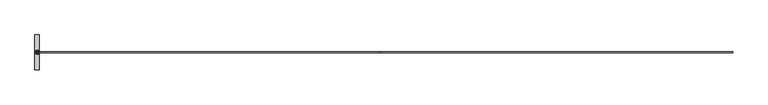
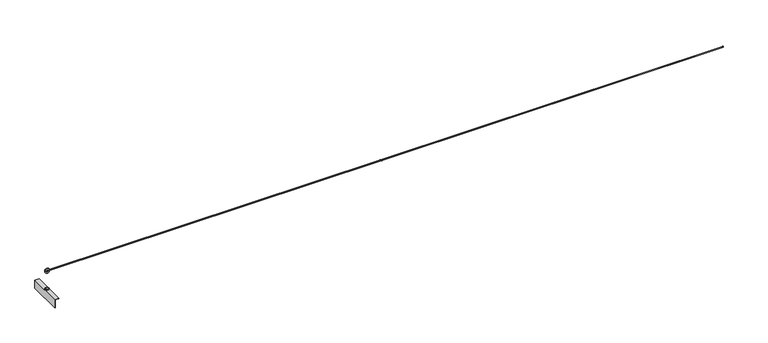
"""IFC4 building model written with IfcOpenShell, lengths in millimetres: proxy geometry."""

from ifc_helpers import new_model, si_unit, point, frame, frame_2d, origin, place, context, project, spatial, polyline, circle_curve, ellipse_curve, trimmed, segment, composite_curve, outline, extrude, source, transform, mapped, element, save
from ifc_brep_helpers import plane_surface, revolved_surface, extruded_surface, advanced_brep


def specialty_equipment_08462cb1(model_context):
    return source(origin(), model_context, "Body", "SolidModel", [
        advanced_brep(
        [(365.4210992, 0.0, 143.5), (394.5302506, 0.0, 143.5), (408.5302506, 0.0, 143.5), (351.4210992, 0.0, 143.5)],
        [
            (0, 1, circle_curve(frame((379.9756749, 0.0, 143.5), z_axis=(0.0, 1.0, 0.0), x_axis=(1.0, 0.0, 0.0)), 14.5545757)),
            (1, 2, circle_curve(frame((401.5302506, 0.0, 143.5), z_axis=(0.0, 0.0, 1.0), x_axis=(-1.0, 0.0, 0.0)), 7.0)),
            (2, 3, circle_curve(frame((379.9756749, 0.0, 143.5), z_axis=(0.0, -1.0, 0.0), x_axis=(1.0, 0.0, 0.0)), 28.5545757)),
            (3, 0, circle_curve(frame((358.4210992, 0.0, 143.5), z_axis=(0.0, 0.0, 1.0), x_axis=(1.0, 0.0, 0.0)), 7.0)),
            (2, 1, circle_curve(frame((401.5302506, 0.0, 143.5), z_axis=(0.0, 0.0, 1.0), x_axis=(-1.0, 0.0, 0.0)), 7.0)),
            (0, 3, circle_curve(frame((358.4210992, 0.0, 143.5), z_axis=(0.0, 0.0, 1.0), x_axis=(1.0, 0.0, 0.0)), 7.0)),
            (1, 0, circle_curve(frame((379.9756749, 0.0, 143.5), z_axis=(0.0, 1.0, 0.0), x_axis=(-1.0, 0.0, 0.0)), 14.5545757)),
            (3, 2, circle_curve(frame((379.9756749, 0.0, 143.5), z_axis=(0.0, -1.0, 0.0), x_axis=(-1.0, 0.0, 0.0)), 28.5545757)),
        ],
        [
            revolved_surface(trimmed(ellipse_curve(frame((401.5302506, 0.0, 143.5), z_axis=(0.0, 0.0, -1.0), x_axis=(-1.0, 0.0, 0.0)), 7.0, 7.0), [point((408.5302506, 0.0, 143.5))], [point((394.5302506, 0.0, 143.5))], True, "CARTESIAN"), (379.9756749, 0.0, 143.5), (0.0, -1.0, 0.0)),
            revolved_surface(trimmed(ellipse_curve(frame((401.5302506, 0.0, 143.5), z_axis=(0.0, 0.0, -1.0), x_axis=(-1.0, 0.0, 0.0)), 7.0, 7.0), [point((394.5302506, 0.0, 143.5))], [point((408.5302506, 0.0, 143.5))], True, "CARTESIAN"), (379.9756749, 0.0, 143.5), (0.0, -1.0, 0.0)),
            revolved_surface(trimmed(ellipse_curve(frame((358.4210992, 0.0, 143.5), z_axis=(0.0, 0.0, 1.0), x_axis=(1.0, 0.0, 0.0)), 7.0, 7.0), [point((351.4210992, 0.0, 143.5))], [point((365.4210992, 0.0, 143.5))], True, "CARTESIAN"), (379.9756749, 0.0, 143.5), (0.0, -1.0, 0.0)),
            revolved_surface(trimmed(ellipse_curve(frame((358.4210992, 0.0, 143.5), z_axis=(0.0, 0.0, 1.0), x_axis=(1.0, 0.0, 0.0)), 7.0, 7.0), [point((365.4210992, 0.0, 143.5))], [point((351.4210992, 0.0, 143.5))], True, "CARTESIAN"), (379.9756749, 0.0, 143.5), (0.0, -1.0, 0.0)),
        ],
        [
            (0, [[1, 2, 3, 4]]),
            (1, [[-3, 5, -1, 6]]),
            (2, [[7, -4, 8, -2]]),
            (3, [[-8, -6, -7, -5]]),
        ],
    ),
        extrude(outline(composite_curve([segment(trimmed(circle_curve(frame_2d((379.4756749, 0.1378375)), 13.0), [point((379.4756749, 13.1378375))], [point((379.4756749, -12.8621625))], False, "CARTESIAN"), True, "CONTINUOUS"), segment(trimmed(circle_curve(frame_2d((379.4756749, 0.1378375)), 13.0), [point((379.4756749, -12.8621625))], [point((379.4756749, 13.1378375))], False, "CARTESIAN"), True, "CONTINUOUS")], self_intersect=False)), frame((0.0, 0.0, -78.0), z_axis=(0.0, 0.0, 1.0), x_axis=(1.0, 0.0, 0.0)), (0.0, 0.0, 1.0), 3.0),
        extrude(outline(composite_curve([segment(trimmed(circle_curve(frame_2d((379.4756749, 0.1378375)), 22.5), [point((379.4756749, 22.6378375))], [point((379.4756749, -22.3621625))], False, "CARTESIAN"), True, "CONTINUOUS"), segment(trimmed(circle_curve(frame_2d((379.4756749, 0.1378375)), 22.5), [point((379.4756749, -22.3621625))], [point((379.4756749, 22.6378375))], False, "CARTESIAN"), True, "CONTINUOUS")], self_intersect=False)), frame((0.0, 0.0, -81.0), z_axis=(0.0, 0.0, 1.0), x_axis=(1.0, 0.0, 0.0)), (0.0, 0.0, 1.0), 3.0),
        extrude(outline(polyline([(-81.0, 351.9756749), (-181.0, 351.9756749), (-181.0, 357.9756749), (-87.0, 357.9756749), (-87.0, 401.9756749), (-81.0, 401.9756749), (-81.0, 351.9756749)])), frame((0.0, -200.1378375, 0.0), z_axis=(0.0, 1.0, 0.0), x_axis=(0.0, 0.0, 1.0)), (0.0, 0.0, 1.0), 396.0),
        extrude(outline(composite_curve([segment(trimmed(circle_curve(frame_2d((379.4756749, 0.0)), 21.3), [point((379.4756749, -21.3))], [point((379.4756749, 21.3))], False, "CARTESIAN"), True, "CONTINUOUS"), segment(trimmed(circle_curve(frame_2d((379.4756749, 0.0)), 21.3), [point((379.4756749, 21.3))], [point((379.4756749, -21.3))], False, "CARTESIAN"), True, "CONTINUOUS")], self_intersect=False)), frame((0.0, 0.0, -90.0), z_axis=(0.0, 0.0, 1.0), x_axis=(1.0, 0.0, 0.0)), (0.0, 0.0, 1.0), 3.0),
        extrude(outline(polyline([(390.3679798, 0.0), (385.1718274, -9.0), (374.7795225, -9.0), (369.5833701, 0.0), (374.7795225, 9.0), (385.1718274, 9.0), (390.3679798, 0.0)]), holes=[composite_curve([segment(trimmed(circle_curve(frame_2d((379.9756749, 0.0)), 7.0), [point((379.9756749, -7.0))], [point((379.9756749, 7.0))], True, "CARTESIAN"), True, "CONTINUOUS"), segment(trimmed(circle_curve(frame_2d((379.9756749, 0.0)), 7.0), [point((379.9756749, 7.0))], [point((379.9756749, -7.0))], True, "CARTESIAN"), True, "CONTINUOUS")], self_intersect=False)]), frame((0.0, 0.0, -100.0), z_axis=(0.0, 0.0, 1.0), x_axis=(1.0, 0.0, 0.0)), (0.0, 0.0, 1.0), 10.0),
        advanced_brep(
        [(8259.4, -4.0015184, 143.5), (8259.4, 3.9984816, 143.5), (4270.0, -4.0, 143.5), (4270.0, 4.0, 143.5)],
        [
            (0, 1, circle_curve(frame((8259.4, -0.0015184, 143.5), z_axis=(1.0, 0.0, 0.0), x_axis=(0.0, 1.0, 0.0)), 4.0)),
            (1, 0, circle_curve(frame((8259.4, -0.0015184, 143.5), z_axis=(1.0, 0.0, 0.0), x_axis=(0.0, 1.0, 0.0)), 4.0)),
            (2, 3, circle_curve(frame((4270.0, 0.0, 143.5), z_axis=(-1.0, 0.0, 0.0), x_axis=(0.0, 1.0, 0.0)), 4.0)),
            (3, 2, circle_curve(frame((4270.0, 0.0, 143.5), z_axis=(-1.0, 0.0, 0.0), x_axis=(0.0, 1.0, 0.0)), 4.0)),
            (3, 1),
            (0, 2),
        ],
        [
            plane_surface(frame((8259.4, -0.0015184, 143.5), z_axis=(1.0, 0.0, 0.0), x_axis=(0.0, 0.0, -1.0))),
            plane_surface(frame((4270.0, 0.0, 143.5), z_axis=(-1.0, 0.0, 0.0), x_axis=(0.0, 0.0, -1.0))),
            extruded_surface(trimmed(circle_curve(frame((4270.0, 0.0, 143.5), z_axis=(1.0, 0.0, 0.0), x_axis=(0.0, 1.0, 0.0)), 4.0), [point((4270.0, -4.0, 143.5))], [point((4270.0, 4.0, 143.5))], True, "CARTESIAN"), (3989.3999999999996, -0.0015184, 0.0), 3989.400000000289),
            extruded_surface(trimmed(circle_curve(frame((4270.0, 0.0, 143.5), z_axis=(1.0, 0.0, 0.0), x_axis=(0.0, 1.0, 0.0)), 4.0), [point((4270.0, 4.0, 143.5))], [point((4270.0, -4.0, 143.5))], True, "CARTESIAN"), (3989.3999999999996, -0.0015184, 0.0), 3989.400000000289),
        ],
        [
            (0, [[1, 2]]),
            (1, [[3, 4]]),
            (2, [[-4, 5, -1, 6]]),
            (3, [[-3, -6, -2, -5]]),
        ],
    ),
        advanced_brep(
        [(4270.0, -3.9839678, 143.5), (4270.0, 4.0160322, 143.5), (380.0, -3.9999985, 143.5), (380.0, 4.0000015, 143.5)],
        [
            (0, 1, circle_curve(frame((4270.0, 0.0160322, 143.5), z_axis=(1.0, 0.0, 0.0), x_axis=(0.0, 1.0, 0.0)), 4.0)),
            (1, 0, circle_curve(frame((4270.0, 0.0160322, 143.5), z_axis=(1.0, 0.0, 0.0), x_axis=(0.0, 1.0, 0.0)), 4.0)),
            (2, 3, circle_curve(frame((380.0, 1.5e-06, 143.5), z_axis=(-1.0, 0.0, 0.0), x_axis=(0.0, 1.0, 0.0)), 4.0)),
            (3, 2, circle_curve(frame((380.0, 1.5e-06, 143.5), z_axis=(-1.0, 0.0, 0.0), x_axis=(0.0, 1.0, 0.0)), 4.0)),
            (3, 1),
            (0, 2),
        ],
        [
            plane_surface(frame((4270.0, 0.0160322, 143.5), z_axis=(1.0, 0.0, 0.0), x_axis=(0.0, 0.0, -1.0))),
            plane_surface(frame((380.0, 1.5e-06, 143.5), z_axis=(-1.0, 0.0, 0.0), x_axis=(0.0, 0.0, -1.0))),
            extruded_surface(trimmed(circle_curve(frame((380.0, 1.5e-06, 143.5), z_axis=(1.0, 0.0, 0.0), x_axis=(0.0, 1.0, 0.0)), 4.0), [point((380.0, -3.9999985, 143.5))], [point((380.0, 4.0000015, 143.5))], True, "CARTESIAN"), (3890.0, 0.0160307, 0.0), 3890.0000000330315),
            extruded_surface(trimmed(circle_curve(frame((380.0, 1.5e-06, 143.5), z_axis=(1.0, 0.0, 0.0), x_axis=(0.0, 1.0, 0.0)), 4.0), [point((380.0, 4.0000015, 143.5))], [point((380.0, -3.9999985, 143.5))], True, "CARTESIAN"), (3890.0, 0.0160307, 0.0), 3890.0000000330315),
        ],
        [
            (0, [[1, 2]]),
            (1, [[3, 4]]),
            (2, [[-4, 5, -1, 6]]),
            (3, [[-3, -6, -2, -5]]),
        ],
    ),
    ])


if __name__ == "__main__":
    model = new_model("IFC4")
    model_context = context("Model", 3, world=origin())
    ifc_project = project(units=[si_unit("LENGTHUNIT", "METRE", prefix="MILLI")], contexts=[model_context])
    site = spatial("IfcSite", under=ifc_project)
    building = spatial("IfcBuilding", under=site)
    placement = place(None, origin())
    specialty_equipment_shape = specialty_equipment_08462cb1(model_context)
    element("IfcBuildingElementProxy", 1, Name="Specialty Equipment", at=placement, inside=building, context=model_context, shape_type="MappedRepresentation", body=[
        mapped(specialty_equipment_shape, transform((0.0, 0.0, 0.0), x_axis=(1.0, 0.0, 0.0), y_axis=(0.0, 1.0, 0.0), z_axis=(0.0, 0.0, 1.0))),
    ])
    save(model, "model.ifc")
